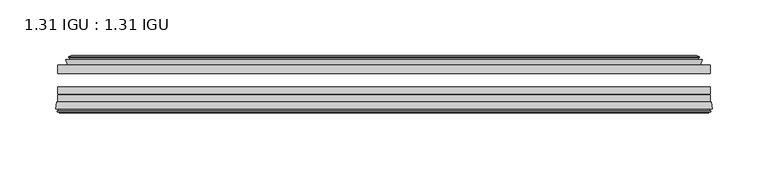
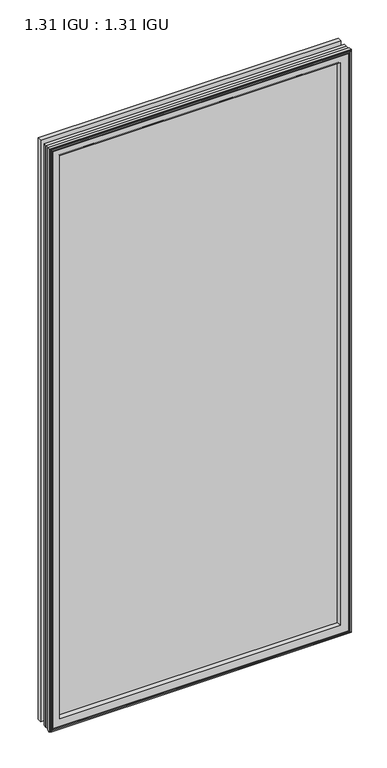
"""IFC4 building model written with IfcOpenShell, lengths in millimetres: plate geometry, 1.31 IGU : 1.31 IGU."""

from ifc_helpers import new_model, si_unit, frame, origin, place, context, project, spatial, polyline, ellipse_curve, outline, extrude, faceted_brep, source, transform, mapped, element, save
from ifc_brep_helpers import plane_surface, revolved_surface, advanced_brep


def plate_1_31_igu_1_31_igu_5bc711e0(model_context):
    return source(origin(), model_context, "Body", "SolidModel", [
        extrude(outline(polyline([(292.1, -17.9712937), (292.1, -25.8960937), (-292.1, -25.8960937), (-292.1, -17.9712937), (292.1, -17.9712937)])), frame((0.0, 0.0, -19.05), z_axis=(0.0, 0.0, 1.0), x_axis=(1.0, 0.0, 0.0)), (0.0, 0.0, 1.0), 1193.8),
        extrude(outline(polyline([(-292.1, -51.2960937), (-292.1, -44.9460937), (292.1, -44.9460937), (292.1, -51.2960937), (-292.1, -51.2960937)])), frame((0.0, 0.0, -19.05), z_axis=(0.0, 0.0, 1.0), x_axis=(1.0, 0.0, 0.0)), (0.0, 0.0, 1.0), 1193.8),
        extrude(outline(polyline([(-292.1, -44.1586938), (-292.1, -37.8086938), (292.1, -37.8086938), (292.1, -44.1586938), (-292.1, -44.1586938)])), frame((0.0, 0.0, -19.05), z_axis=(0.0, 0.0, 1.0), x_axis=(1.0, 0.0, 0.0)), (0.0, 0.0, 1.0), 1193.8),
        faceted_brep([(-283.1814005, -17.9712937, 1165.8314005), (-284.8256337, -13.1960937, 1167.4756337), (-284.8256337, -13.1960937, -11.7756337), (-283.1814005, -17.9712937, -10.1314005), (-273.5707, -13.1960937, 1156.2207), (-272.4012695, -17.9712937, 1155.0512695), (-272.4012695, -17.9712937, 0.6487305), (-273.5707, -13.1960937, -0.5207), (-279.1354203, -10.902778, 1161.7854203), (-278.5209281, -13.1960937, 1161.1709281), (-278.5209281, -13.1960937, -5.4709281), (-279.1354203, -10.902778, -6.0854203), (-277.7431709, -11.27583, 1160.3931709), (-277.7431709, -11.27583, -4.6931709), (-277.5118537, -10.4125422, 1160.1618537), (-277.5118537, -10.4125422, -4.4618537), (-279.9207, -9.7670937, 1162.5707), (-279.9207, -9.7670937, -6.8707), (-282.3295463, -10.4125422, 1164.9795463), (-282.3295463, -10.4125422, -9.2795463), (-282.0982291, -11.27583, 1164.7482291), (-282.0982291, -11.27583, -9.0482291), (-280.7114014, -10.9042307, 1163.3614014), (-280.7114014, -10.9042307, -7.6614014), (-281.4560729, -13.1960937, 1164.1060729), (-281.4560729, -13.1960937, -8.4060729), (284.8256337, -13.1960937, -11.7756337), (283.1814005, -17.9712937, -10.1314005), (272.4012695, -17.9712937, 0.6487305), (273.5707, -13.1960937, -0.5207), (278.5209281, -13.1960937, -5.4709281), (279.1354203, -10.902778, -6.0854203), (277.7431709, -11.27583, -4.6931709), (277.5118537, -10.4125422, -4.4618537), (279.9207, -9.7670937, -6.8707), (282.3295463, -10.4125422, -9.2795463), (282.0982291, -11.27583, -9.0482291), (280.7114014, -10.9042307, -7.6614014), (281.4560729, -13.1960937, -8.4060729), (284.8256337, -13.1960937, 1167.4756337), (283.1814005, -17.9712937, 1165.8314005), (272.4012695, -17.9712937, 1155.0512695), (273.5707, -13.1960937, 1156.2207), (278.5209281, -13.1960937, 1161.1709281), (279.1354203, -10.902778, 1161.7854203), (277.7431709, -11.27583, 1160.3931709), (277.5118537, -10.4125422, 1160.1618537), (279.9207, -9.7670937, 1162.5707), (282.3295463, -10.4125422, 1164.9795463), (282.0982291, -11.27583, 1164.7482291), (280.7114014, -10.9042307, 1163.3614014), (281.4560729, -13.1960937, 1164.1060729)], [[[0, 1, 2, 3]], [[4, 5, 6, 7]], [[8, 9, 10, 11]], [[12, 8, 11, 13]], [[14, 12, 13, 15]], [[16, 14, 15, 17]], [[18, 16, 17, 19]], [[20, 18, 19, 21]], [[22, 20, 21, 23]], [[24, 22, 23, 25]], [[3, 2, 26, 27]], [[7, 6, 28, 29]], [[11, 10, 30, 31]], [[13, 11, 31, 32]], [[15, 13, 32, 33]], [[17, 15, 33, 34]], [[19, 17, 34, 35]], [[21, 19, 35, 36]], [[23, 21, 36, 37]], [[25, 23, 37, 38]], [[27, 26, 39, 40]], [[29, 28, 41, 42]], [[31, 30, 43, 44]], [[32, 31, 44, 45]], [[33, 32, 45, 46]], [[34, 33, 46, 47]], [[35, 34, 47, 48]], [[36, 35, 48, 49]], [[37, 36, 49, 50]], [[38, 37, 50, 51]], [[40, 39, 1, 0]], [[3, 27, 40, 0], [5, 41, 28, 6]], [[42, 41, 5, 4]], [[9, 43, 30, 10], [7, 29, 42, 4]], [[44, 43, 9, 8]], [[45, 44, 8, 12]], [[46, 45, 12, 14]], [[47, 46, 14, 16]], [[48, 47, 16, 18]], [[49, 48, 18, 20]], [[50, 49, 20, 22]], [[51, 50, 22, 24]], [[1, 39, 26, 2], [25, 38, 51, 24]]]),
        advanced_brep(
        [(-269.4126851, -51.2960937, 1152.0626851), (-273.05, -57.6460937, 1155.7), (-273.05, -57.6460937, 0.0), (-269.4126851, -51.2960937, 3.6373149), (-293.6957783, -57.6460937, 1176.3457783), (-292.9160964, -51.2960937, 1175.5660964), (-292.9160964, -51.2960937, -19.8660964), (-293.6957783, -57.6460937, -20.6457783), (-291.2957744, -59.6558685, 1173.9457744), (-291.7548013, -57.6460937, 1174.4048013), (-291.7548013, -57.6460937, -18.7048013), (-291.2957744, -59.6558685, -18.2457744), (-292.2794588, -59.3738016, 1174.9294588), (-292.2794588, -59.3738016, -19.2294588), (-292.5329433, -60.2578071, 1175.1829433), (-292.5329433, -60.2578071, -19.4829433), (-290.5099998, -60.8378768, 1173.1599998), (-290.5099998, -60.8378768, -17.4599998), (-288.4663389, -60.2902795, 1171.1163389), (-288.4663389, -60.2902795, -15.4163389), (-288.7112083, -59.3764147, 1171.3612083), (-288.7112083, -59.3764147, -15.6612083), (-289.7338421, -59.6504286, 1172.3838421), (-289.7338421, -59.6504286, -16.6838421), (-289.2711049, -57.6460937, 1171.9211049), (-289.2711049, -57.6460937, -16.2211049), (273.05, -57.6460938, 0.0), (269.4126851, -51.2960937, 3.6373149), (292.9160964, -51.2960937, -19.8660964), (293.6957783, -57.6460938, -20.6457783), (291.7548013, -57.6460938, -18.7048013), (291.2957744, -59.6558685, -18.2457744), (292.2794588, -59.3738016, -19.2294588), (292.5329433, -60.2578071, -19.4829433), (290.5099998, -60.8378768, -17.4599998), (288.4663389, -60.2902795, -15.4163389), (288.7112083, -59.3764147, -15.6612083), (289.7338421, -59.6504286, -16.6838421), (289.2711049, -57.6460938, -16.2211049), (273.05, -57.6460938, 1155.7), (269.4126851, -51.2960937, 1152.0626851), (292.9160964, -51.2960937, 1175.5660964), (293.6957783, -57.6460938, 1176.3457783), (291.7548013, -57.6460938, 1174.4048013), (291.2957744, -59.6558685, 1173.9457744), (292.2794588, -59.3738016, 1174.9294588), (292.5329433, -60.2578071, 1175.1829433), (290.5099998, -60.8378768, 1173.1599998), (288.4663389, -60.2902795, 1171.1163389), (288.7112083, -59.3764147, 1171.3612083), (289.7338421, -59.6504286, 1172.3838421), (289.2711049, -57.6460938, 1171.9211049)],
        [
            (0, 1, ellipse_curve(frame((-264.619055, -58.2586484, 1147.269055), z_axis=(0.7071067811865475, 0.0, 0.7071067811865475), x_axis=(0.7071067811865474, 0.0, -0.7071067811865476)), 11.9545855, 8.4531685)),
            (1, 2),
            (2, 3, ellipse_curve(frame((-264.619055, -58.2586484, 8.430945), z_axis=(0.7071067811865475, 0.0, -0.7071067811865475), x_axis=(-0.7071067811865474, 0.0, -0.7071067811865476)), 11.9545855, 8.4531685)),
            (3, 0),
            (4, 5),
            (5, 6),
            (6, 7),
            (7, 4),
            (8, 9),
            (9, 10),
            (10, 11),
            (11, 8),
            (12, 8),
            (11, 13),
            (13, 12),
            (14, 12),
            (13, 15),
            (15, 14),
            (16, 14),
            (15, 17),
            (17, 16),
            (18, 16),
            (17, 19),
            (19, 18),
            (20, 18),
            (19, 21),
            (21, 20),
            (22, 20),
            (21, 23),
            (23, 22),
            (24, 22),
            (23, 25),
            (25, 24),
            (2, 26),
            (26, 27, ellipse_curve(frame((264.619055, -58.2586484, 8.430945), z_axis=(0.7071067811865475, 0.0, 0.7071067811865475), x_axis=(0.7071067811865476, 0.0, -0.7071067811865474)), 11.9545855, 8.4531685)),
            (27, 3),
            (6, 28),
            (28, 29),
            (29, 7),
            (10, 30),
            (30, 31),
            (31, 11),
            (31, 32),
            (32, 13),
            (32, 33),
            (33, 15),
            (33, 34),
            (34, 17),
            (34, 35),
            (35, 19),
            (35, 36),
            (36, 21),
            (36, 37),
            (37, 23),
            (37, 38),
            (38, 25),
            (26, 39),
            (39, 40, ellipse_curve(frame((264.619055, -58.2586484, 1147.269055), z_axis=(-0.7071067811865475, 0.0, 0.7071067811865475), x_axis=(0.7071067811865474, 0.0, 0.7071067811865476)), 11.9545855, 8.4531685)),
            (40, 27),
            (28, 41),
            (41, 42),
            (42, 29),
            (30, 43),
            (43, 44),
            (44, 31),
            (44, 45),
            (45, 32),
            (45, 46),
            (46, 33),
            (46, 47),
            (47, 34),
            (47, 48),
            (48, 35),
            (48, 49),
            (49, 36),
            (49, 50),
            (50, 37),
            (50, 51),
            (51, 38),
            (51, 24),
            (1, 39),
            (0, 40),
            (5, 41),
            (4, 42),
            (9, 43),
            (8, 44),
            (12, 45),
            (14, 46),
            (16, 47),
            (18, 48),
            (20, 49),
            (22, 50),
        ],
        [
            revolved_surface(polyline([(-273.0722235, -58.2586484, -0.02222347332440222), (-273.0722235, -58.2586484, 1155.7222234733244)]), (-264.619055, -58.2586484, 1187.45), (0.0, 0.0, -1.0)),
            plane_surface(frame((-292.9160964, -51.2960937, 1175.5660964), z_axis=(-0.9925461516413234, 0.12186934340513635, 0.0), x_axis=(0.0, 0.0, -1.0))),
            plane_surface(frame((-291.7548013, -57.6460937, 1174.4048013), z_axis=(-0.9748953990049444, -0.22266333555165796, 0.0), x_axis=(0.0, 0.0, -1.0))),
            plane_surface(frame((-291.2957744, -59.6558685, 1173.9457744), z_axis=(0.27563735581726606, 0.9612616959382424, 0.0), x_axis=(0.0, 0.0, -1.0))),
            plane_surface(frame((-292.2794588, -59.3738016, 1174.9294588), z_axis=(-0.9612616959382463, 0.2756373558172523, 0.0), x_axis=(0.0, 0.0, -1.0))),
            plane_surface(frame((-292.5329433, -60.2578071, 1175.1829433), z_axis=(-0.2756373558170135, -0.9612616959383148, 0.0), x_axis=(0.0, 0.0, -1.0))),
            plane_surface(frame((-290.5099998, -60.8378768, 1173.1599998), z_axis=(0.25881904510226056, -0.965925826289138, 0.0), x_axis=(0.0, 0.0, -1.0))),
            plane_surface(frame((-288.4663389, -60.2902795, 1171.1163389), z_axis=(0.9659258262891444, 0.25881904510223736, 0.0), x_axis=(0.0, 0.0, -1.0))),
            plane_surface(frame((-288.7112083, -59.3764147, 1171.3612083), z_axis=(-0.2588190451025015, 0.9659258262890735, 0.0), x_axis=(0.0, 0.0, -1.0))),
            plane_surface(frame((-289.7338421, -59.6504286, 1172.3838421), z_axis=(0.9743700647852117, -0.22495105434396692, 0.0), x_axis=(0.0, 0.0, -1.0))),
            revolved_surface(polyline([(273.0722234733244, -58.2586484, -0.02222350000000084), (-273.07222347332436, -58.2586484, -0.02222350000000084)]), (-304.8, -58.2586484, 8.430945), (1.0, 0.0, 0.0)),
            plane_surface(frame((-292.9160964, -51.2960937, -19.8660964), z_axis=(0.0, 0.12186934340513315, -0.9925461516413239), x_axis=(1.0, 0.0, 0.0))),
            plane_surface(frame((-291.7548013, -57.6460937, -18.7048013), z_axis=(0.0, -0.2226633355516611, -0.9748953990049437), x_axis=(1.0, 0.0, 0.0))),
            plane_surface(frame((-291.2957744, -59.6558685, -18.2457744), z_axis=(0.0, 0.9612616959382433, 0.27563735581726295), x_axis=(1.0, 0.0, 0.0))),
            plane_surface(frame((-292.2794588, -59.3738016, -19.2294588), z_axis=(0.0, 0.2756373558172492, -0.9612616959382472), x_axis=(1.0, 0.0, 0.0))),
            plane_surface(frame((-292.5329433, -60.2578071, -19.4829433), z_axis=(0.0, -0.9612616959383157, -0.2756373558170104), x_axis=(1.0, 0.0, 0.0))),
            plane_surface(frame((-290.5099998, -60.8378768, -17.4599998), z_axis=(0.0, -0.9659258262891373, 0.2588190451022637), x_axis=(1.0, 0.0, 0.0))),
            plane_surface(frame((-288.4663389, -60.2902795, -15.4163389), z_axis=(0.0, 0.25881904510224046, 0.9659258262891435), x_axis=(1.0, 0.0, 0.0))),
            plane_surface(frame((-288.7112083, -59.3764147, -15.6612083), z_axis=(0.0, 0.9659258262890726, -0.2588190451025046), x_axis=(1.0, 0.0, 0.0))),
            plane_surface(frame((-289.7338421, -59.6504286, -16.6838421), z_axis=(0.0, -0.22495105434396379, 0.9743700647852125), x_axis=(1.0, 0.0, 0.0))),
            revolved_surface(polyline([(273.0722235, -58.2586484, 1155.7222234733244), (273.0722235, -58.2586484, -0.022223473324370246)]), (264.619055, -58.2586484, -31.75), (0.0, 0.0, 1.0)),
            plane_surface(frame((292.9160964, -51.2960937, -19.8660964), z_axis=(0.9925461516413243, 0.12186934340512996, 0.0), x_axis=(0.0, 0.0, 1.0))),
            plane_surface(frame((291.7548013, -57.6460938, -18.7048013), z_axis=(0.974895399004943, -0.22266333555166423, 0.0), x_axis=(0.0, 0.0, 1.0))),
            plane_surface(frame((291.2957744, -59.6558685, -18.2457744), z_axis=(-0.27563735581725984, 0.9612616959382442, 0.0), x_axis=(0.0, 0.0, 1.0))),
            plane_surface(frame((292.2794588, -59.3738016, -19.2294588), z_axis=(0.9612616959382481, 0.2756373558172461, 0.0), x_axis=(0.0, 0.0, 1.0))),
            plane_surface(frame((292.5329433, -60.2578071, -19.4829433), z_axis=(0.27563735581700727, -0.9612616959383166, 0.0), x_axis=(0.0, 0.0, 1.0))),
            plane_surface(frame((290.5099998, -60.8378768, -17.4599998), z_axis=(-0.25881904510226683, -0.9659258262891364, 0.0), x_axis=(0.0, 0.0, 1.0))),
            plane_surface(frame((288.4663389, -60.2902795, -15.4163389), z_axis=(-0.9659258262891426, 0.2588190451022436, 0.0), x_axis=(0.0, 0.0, 1.0))),
            plane_surface(frame((288.7112083, -59.3764147, -15.6612083), z_axis=(0.2588190451025077, 0.9659258262890718, 0.0), x_axis=(0.0, 0.0, 1.0))),
            plane_surface(frame((289.7338421, -59.6504286, -16.6838421), z_axis=(-0.9743700647852133, -0.22495105434396065, 0.0), x_axis=(0.0, 0.0, 1.0))),
            plane_surface(frame((289.2711049, -57.6460938, 1171.9211049), z_axis=(0.0, -1.0, 0.0), x_axis=(-1.0, 0.0, 0.0))),
            revolved_surface(polyline([(-273.0722234733244, -58.2586484, 1155.7222235), (273.07222347332436, -58.2586484, 1155.7222235)]), (304.8, -58.2586484, 1147.269055), (-1.0, 0.0, 0.0)),
            plane_surface(frame((269.4126851, -51.2960937, 1152.0626851), z_axis=(0.0, 1.0, 0.0), x_axis=(-1.0, 0.0, 0.0))),
            plane_surface(frame((292.9160964, -51.2960937, 1175.5660964), z_axis=(0.0, 0.12186934340513315, 0.9925461516413239), x_axis=(-1.0, 0.0, 0.0))),
            plane_surface(frame((293.6957783, -57.6460938, 1176.3457783), z_axis=(0.0, -1.0, 0.0), x_axis=(-1.0, 0.0, 0.0))),
            plane_surface(frame((291.7548013, -57.6460938, 1174.4048013), z_axis=(0.0, -0.2226633355516611, 0.9748953990049437), x_axis=(-1.0, 0.0, 0.0))),
            plane_surface(frame((291.2957744, -59.6558685, 1173.9457744), z_axis=(0.0, 0.9612616959382433, -0.27563735581726295), x_axis=(-1.0, 0.0, 0.0))),
            plane_surface(frame((292.2794588, -59.3738016, 1174.9294588), z_axis=(0.0, 0.2756373558172492, 0.9612616959382472), x_axis=(-1.0, 0.0, 0.0))),
            plane_surface(frame((292.5329433, -60.2578071, 1175.1829433), z_axis=(0.0, -0.9612616959383157, 0.2756373558170104), x_axis=(-1.0, 0.0, 0.0))),
            plane_surface(frame((290.5099998, -60.8378768, 1173.1599998), z_axis=(0.0, -0.9659258262891373, -0.2588190451022637), x_axis=(-1.0, 0.0, 0.0))),
            plane_surface(frame((288.4663389, -60.2902795, 1171.1163389), z_axis=(0.0, 0.25881904510224046, -0.9659258262891435), x_axis=(-1.0, 0.0, 0.0))),
            plane_surface(frame((288.7112083, -59.3764147, 1171.3612083), z_axis=(0.0, 0.9659258262890726, 0.2588190451025046), x_axis=(-1.0, 0.0, 0.0))),
            plane_surface(frame((289.7338421, -59.6504286, 1172.3838421), z_axis=(0.0, -0.22495105434396379, -0.9743700647852125), x_axis=(-1.0, 0.0, 0.0))),
        ],
        [
            (0, [[1, 2, 3, 4]]),
            (1, [[5, 6, 7, 8]]),
            (2, [[9, 10, 11, 12]]),
            (3, [[13, -12, 14, 15]]),
            (4, [[16, -15, 17, 18]]),
            (5, [[19, -18, 20, 21]]),
            (6, [[22, -21, 23, 24]]),
            (7, [[25, -24, 26, 27]]),
            (8, [[28, -27, 29, 30]]),
            (9, [[31, -30, 32, 33]]),
            (10, [[-3, 34, 35, 36]]),
            (11, [[-7, 37, 38, 39]]),
            (12, [[-11, 40, 41, 42]]),
            (13, [[-14, -42, 43, 44]]),
            (14, [[-17, -44, 45, 46]]),
            (15, [[-20, -46, 47, 48]]),
            (16, [[-23, -48, 49, 50]]),
            (17, [[-26, -50, 51, 52]]),
            (18, [[-29, -52, 53, 54]]),
            (19, [[-32, -54, 55, 56]]),
            (20, [[-35, 57, 58, 59]]),
            (21, [[-38, 60, 61, 62]]),
            (22, [[-41, 63, 64, 65]]),
            (23, [[-43, -65, 66, 67]]),
            (24, [[-45, -67, 68, 69]]),
            (25, [[-47, -69, 70, 71]]),
            (26, [[-49, -71, 72, 73]]),
            (27, [[-51, -73, 74, 75]]),
            (28, [[-53, -75, 76, 77]]),
            (29, [[-55, -77, 78, 79]]),
            (30, [[-56, -79, 80, -33], [81, -57, -34, -2]]),
            (31, [[-58, -81, -1, 82]]),
            (32, [[83, -60, -37, -6], [-36, -59, -82, -4]]),
            (33, [[-61, -83, -5, 84]]),
            (34, [[-39, -62, -84, -8], [85, -63, -40, -10]]),
            (35, [[-64, -85, -9, 86]]),
            (36, [[-66, -86, -13, 87]]),
            (37, [[-68, -87, -16, 88]]),
            (38, [[-70, -88, -19, 89]]),
            (39, [[-72, -89, -22, 90]]),
            (40, [[-74, -90, -25, 91]]),
            (41, [[-76, -91, -28, 92]]),
            (42, [[-78, -92, -31, -80]]),
        ],
    ),
    ])


if __name__ == "__main__":
    model = new_model("IFC4")
    model_context = context("Model", 3, world=origin())
    ifc_project = project(units=[si_unit("LENGTHUNIT", "METRE", prefix="MILLI")], contexts=[model_context])
    site = spatial("IfcSite", under=ifc_project)
    building = spatial("IfcBuilding", under=site)
    placement = place(None, origin())
    plate_1_31_igu_1_31_igu_shape = plate_1_31_igu_1_31_igu_5bc711e0(model_context)
    element("IfcPlate", 1, ObjectType="1.31 IGU : 1.31 IGU", at=placement, inside=building, context=model_context, shape_type="MappedRepresentation", body=[
        mapped(plate_1_31_igu_1_31_igu_shape, transform((0.0, 0.0, 0.0), x_axis=(1.0, 0.0, 0.0), y_axis=(0.0, 1.0, 0.0), z_axis=(0.0, 0.0, 1.0))),
    ])
    save(model, "model.ifc")
